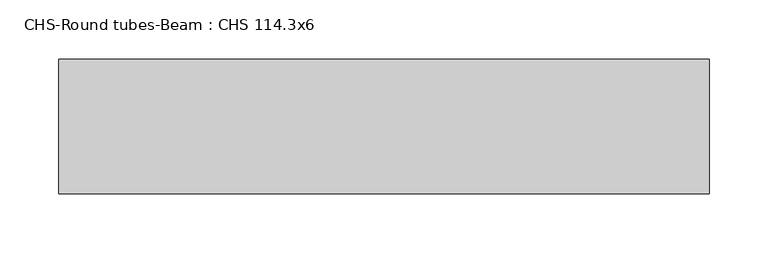
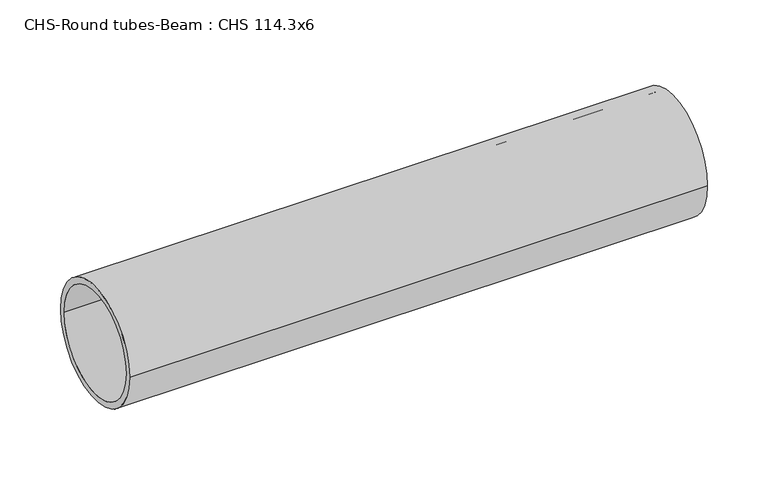
"""IFC4 building model written with IfcOpenShell, lengths in millimetres: beam geometry, CHS-Round tubes-Beam : CHS 114.3x6."""

import ifcopenshell
import ifcopenshell.guid

model = None  # the IFC model being written
_history = None  # IfcOwnerHistory: only IFC2X3 demands one
_inside = {}  # id of a spatial element -> (the spatial element, [elements in it])
_under = {}  # id of a project, library or spatial element -> (it, [spatial elements below it])
_declared = {}  # id of a project -> (the project, [libraries it declares])
_typed = {}  # id of a type object -> (the type object, [elements of that type])
_made_of = {}  # id of a material, layer set ... -> (it, [elements and type objects made of it])


def new_model(schema):
    """Start an empty IFC model of exactly this schema.

    Asked for "IFC4X3", IfcOpenShell would pick the latest addendum, in which some entities
    have other attributes; the version numbers below select the first issue.
    IFC2X3 requires an IfcOwnerHistory on every rooted entity: one is made here for all.
    """
    global model, _history
    if schema == "IFC4X3":
        model = ifcopenshell.file(schema_version=(4, 3, 0, 0))
    else:
        model = ifcopenshell.file(schema=schema)
    _inside.clear()
    _under.clear()
    _declared.clear()
    _typed.clear()
    _made_of.clear()
    _history = None
    if model.schema == "IFC2X3":
        org = make("IfcOrganization", Name="unknown")
        user = make(
            "IfcPersonAndOrganization",
            ThePerson=make("IfcPerson", FamilyName="unknown"),
            TheOrganization=org,
        )
        app = make(
            "IfcApplication",
            ApplicationDeveloper=org,
            Version="unknown",
            ApplicationFullName="unknown",
            ApplicationIdentifier="unknown",
        )
        _history = make(
            "IfcOwnerHistory",
            OwningUser=user,
            OwningApplication=app,
            ChangeAction="ADDED",
            CreationDate=0,
        )
    return model


def make(cls, **values):
    """One entity of the class cls with the attributes given. An attribute that is None is left unset."""
    return model.create_entity(
        cls, **{name: value for name, value in values.items() if value is not None}
    )


def rooted(cls, **values):
    """An entity with a GlobalId (a new one), such as an element, a storey or a relation."""
    return make(cls, GlobalId=ifcopenshell.guid.new(), OwnerHistory=_history, **values)


def si_unit(unit_type, name, prefix=None):
    """IfcSIUnit, for example si_unit("LENGTHUNIT", "METRE", prefix="MILLI")."""
    return make("IfcSIUnit", UnitType=unit_type, Prefix=prefix, Name=name)


def assignment(units):
    """IfcUnitAssignment: the units of a project."""
    return None if units is None else make("IfcUnitAssignment", Units=units)


def point(xyz):
    """IfcCartesianPoint."""
    return None if xyz is None else make("IfcCartesianPoint", Coordinates=xyz)


def direction(xyz):
    """IfcDirection."""
    return None if xyz is None else make("IfcDirection", DirectionRatios=xyz)


def frame(location, z_axis=None, x_axis=None):
    """IfcAxis2Placement3D, a coordinate frame: its origin and axes. An axis left out is left unset."""
    return make(
        "IfcAxis2Placement3D",
        Location=point(location),
        Axis=direction(z_axis),
        RefDirection=direction(x_axis),
    )


def frame_2d(location, x_axis=None):
    """IfcAxis2Placement2D, a coordinate frame in the plane: its origin and x axis."""
    return make(
        "IfcAxis2Placement2D", Location=point(location), RefDirection=direction(x_axis)
    )


def origin():
    """The frame at (0, 0, 0) with its axes left unset."""
    return frame((0.0, 0.0, 0.0))


def origin_2d():
    """The frame at (0, 0) in the plane with its x axis left unset."""
    return frame_2d((0.0, 0.0))


def place(relative_to, where):
    """IfcLocalPlacement: puts the frame where relative to a parent placement (None: the world)."""
    return make(
        "IfcLocalPlacement", PlacementRelTo=relative_to, RelativePlacement=where
    )


def context(
    kind, dimensions, precision=None, world=None, true_north=None, identifier=None
):
    """IfcGeometricRepresentationContext, for example the 3D "Model" context."""
    return make(
        "IfcGeometricRepresentationContext",
        ContextIdentifier=identifier,
        ContextType=kind,
        CoordinateSpaceDimension=dimensions,
        Precision=precision,
        WorldCoordinateSystem=world,
        TrueNorth=true_north,
    )


def project(units=None, contexts=None):
    """IfcProject with its units and contexts."""
    return rooted(
        "IfcProject",
        Name="project",
        RepresentationContexts=contexts,
        UnitsInContext=assignment(units),
    )


def spatial(cls, under=None, at=None, **own):
    """A site, building, storey or space (cls), placed at a placement, below another one or the project."""
    s = rooted(cls, ObjectPlacement=at, **own)
    if under is not None:
        _under.setdefault(under.id(), (under, []))[1].append(s)
    return s


def circle_curve(where, radius):
    """IfcCircle in the frame where."""
    return make("IfcCircle", Position=where, Radius=radius)


def trimmed(basis, trim1, trim2, sense, master):
    """IfcTrimmedCurve: the piece of a basis curve between two trims."""
    return make(
        "IfcTrimmedCurve",
        BasisCurve=basis,
        Trim1=trim1,
        Trim2=trim2,
        SenseAgreement=sense,
        MasterRepresentation=master,
    )


def segment(curve, same_sense, transition):
    """IfcCompositeCurveSegment."""
    return make(
        "IfcCompositeCurveSegment",
        Transition=transition,
        SameSense=same_sense,
        ParentCurve=curve,
    )


def composite_curve(segments, self_intersect=None):
    """IfcCompositeCurve: segments joined end to end."""
    return make("IfcCompositeCurve", Segments=segments, SelfIntersect=self_intersect)


def outline(outer, holes=None, kind="AREA"):
    """IfcArbitraryClosedProfileDef: a profile drawn as a closed curve; with holes, ...WithVoids."""
    if holes is None:
        return make("IfcArbitraryClosedProfileDef", ProfileType=kind, OuterCurve=outer)
    return make(
        "IfcArbitraryProfileDefWithVoids",
        ProfileType=kind,
        OuterCurve=outer,
        InnerCurves=holes,
    )


def extrude(swept, where, along, depth):
    """IfcExtrudedAreaSolid: the profile swept, set in the frame where, extruded along a direction by depth."""
    return make(
        "IfcExtrudedAreaSolid",
        SweptArea=swept,
        Position=where,
        ExtrudedDirection=direction(along),
        Depth=depth,
    )


def shape(context_of_items, identifier, shape_type, items):
    """IfcShapeRepresentation: the items that make up one representation, for example the "Body"."""
    return make(
        "IfcShapeRepresentation",
        ContextOfItems=context_of_items,
        RepresentationIdentifier=identifier,
        RepresentationType=shape_type,
        Items=items,
    )


def source(mapping_origin, context_of_items, identifier, shape_type, items):
    """IfcRepresentationMap: a shape defined once, which mapped items show again and again."""
    return make(
        "IfcRepresentationMap",
        MappingOrigin=mapping_origin,
        MappedRepresentation=shape(context_of_items, identifier, shape_type, items),
    )


def transform(
    local_origin,
    x_axis=None,
    y_axis=None,
    z_axis=None,
    scale=None,
    scale2=None,
    scale3=None,
    uniform=True,
):
    """IfcCartesianTransformationOperator3D, or its non-uniform kind. x_axis, y_axis, z_axis: its Axis1, 2, 3."""
    if uniform:
        return make(
            "IfcCartesianTransformationOperator3D",
            Axis1=direction(x_axis),
            Axis2=direction(y_axis),
            LocalOrigin=point(local_origin),
            Scale=scale,
            Axis3=direction(z_axis),
        )
    return make(
        "IfcCartesianTransformationOperator3DnonUniform",
        Axis1=direction(x_axis),
        Axis2=direction(y_axis),
        LocalOrigin=point(local_origin),
        Scale=scale,
        Axis3=direction(z_axis),
        Scale2=scale2,
        Scale3=scale3,
    )


def mapped(mapping_source, mapping_target):
    """IfcMappedItem: shows the shape of a source again, moved by a transform."""
    return make(
        "IfcMappedItem", MappingSource=mapping_source, MappingTarget=mapping_target
    )


def made_of(thing, what):
    """Note that an element or type object is made of a material, layer set ...; save() writes the relation."""
    if what is not None:
        _made_of.setdefault(what.id(), (what, []))[1].append(thing)
    return thing


def element(
    cls,
    number,
    at=None,
    inside=None,
    cuts=None,
    type_object=None,
    material=None,
    context=None,
    identifier="Body",
    shape_type=None,
    held_by="IfcProductDefinitionShape",
    body=None,
    shapes=None,
    **own,
):
    """One element of the class cls, such as IfcWall. Its Tag is "e" and its number.

    at: its placement. inside: the storey or other place that contains it. cuts: it is an
    opening in that element (IfcRelVoidsElement). A single representation is given by context,
    identifier, shape_type and body (its items); several are given by shapes. held_by: the class
    of the entity that holds the representations. save() writes the other relations.
    """
    e = rooted(cls, Tag="e%d" % number, ObjectPlacement=at, **own)
    if body is not None:
        shapes = [shape(context, identifier, shape_type, body)]
    if shapes is not None:
        e.Representation = make(held_by, Representations=shapes)
    if inside is not None:
        _inside.setdefault(inside.id(), (inside, []))[1].append(e)
    if cuts is not None:
        rooted(
            "IfcRelVoidsElement", RelatingBuildingElement=cuts, RelatedOpeningElement=e
        )
    if type_object is not None:
        _typed.setdefault(type_object.id(), (type_object, []))[1].append(e)
    return made_of(e, material)


def aggregate(whole, parts):
    """IfcRelAggregates: a whole, such as a stair, and the parts it consists of."""
    return rooted("IfcRelAggregates", RelatingObject=whole, RelatedObjects=parts)


def save(model, path):
    """Write the relations noted so far, then the file.

    IfcRelAggregates (storeys below a building ...), IfcRelContainedInSpatialStructure (elements
    in a storey), IfcRelDefinesByType, IfcRelAssociatesMaterial and IfcRelDeclares: one each for
    every whole, place, type object, material and project.
    """
    for whole, parts in _under.values():
        aggregate(whole, parts)
    for where, things in _inside.values():
        rooted(
            "IfcRelContainedInSpatialStructure",
            RelatedElements=things,
            RelatingStructure=where,
        )
    for kind, things in _typed.values():
        rooted("IfcRelDefinesByType", RelatedObjects=things, RelatingType=kind)
    for what, things in _made_of.values():
        rooted("IfcRelAssociatesMaterial", RelatedObjects=things, RelatingMaterial=what)
    for by, libraries in _declared.values():
        rooted("IfcRelDeclares", RelatingContext=by, RelatedDefinitions=libraries)
    model.write(path)


def chs_round_tubes_beam_chs_114_3x6_6b68ca7d(model_context):
    return source(origin(), model_context, "Body", "SweptSolid", [
        extrude(outline(composite_curve([segment(trimmed(circle_curve(origin_2d(), 57.15), [point((57.15, 0.0))], [point((-57.15, 0.0))], False, "CARTESIAN"), True, "CONTINUOUS"), segment(trimmed(circle_curve(origin_2d(), 57.15), [point((-57.15, 0.0))], [point((57.15, 0.0))], False, "CARTESIAN"), True, "CONTINUOUS")], self_intersect=False), holes=[composite_curve([segment(trimmed(circle_curve(origin_2d(), 51.15), [point((51.15, 0.0))], [point((-51.15, 0.0))], True, "CARTESIAN"), True, "CONTINUOUS"), segment(trimmed(circle_curve(origin_2d(), 51.15), [point((-51.15, 0.0))], [point((51.15, 0.0))], True, "CARTESIAN"), True, "CONTINUOUS")], self_intersect=False)]), frame((-239.1589254, 0.0, 0.0), z_axis=(1.0, 0.0, 0.0), x_axis=(0.0, 1.0, 0.0)), (0.0, 0.0, 1.0), 550.9056811),
    ])


if __name__ == "__main__":
    model = new_model("IFC4")
    model_context = context("Model", 3, world=origin())
    ifc_project = project(units=[si_unit("LENGTHUNIT", "METRE", prefix="MILLI")], contexts=[model_context])
    site = spatial("IfcSite", under=ifc_project)
    building = spatial("IfcBuilding", under=site)
    placement = place(None, origin())
    chs_round_tubes_beam_chs_114_3x6_shape = chs_round_tubes_beam_chs_114_3x6_6b68ca7d(model_context)
    element("IfcBeam", 1, ObjectType="CHS-Round tubes-Beam : CHS 114.3x6", at=placement, inside=building, context=model_context, shape_type="MappedRepresentation", body=[
        mapped(chs_round_tubes_beam_chs_114_3x6_shape, transform((0.0, 0.0, 0.0), x_axis=(1.0, 0.0, 0.0), y_axis=(0.0, 1.0, 0.0), z_axis=(0.0, 0.0, 1.0))),
    ])
    save(model, "model.ifc")
